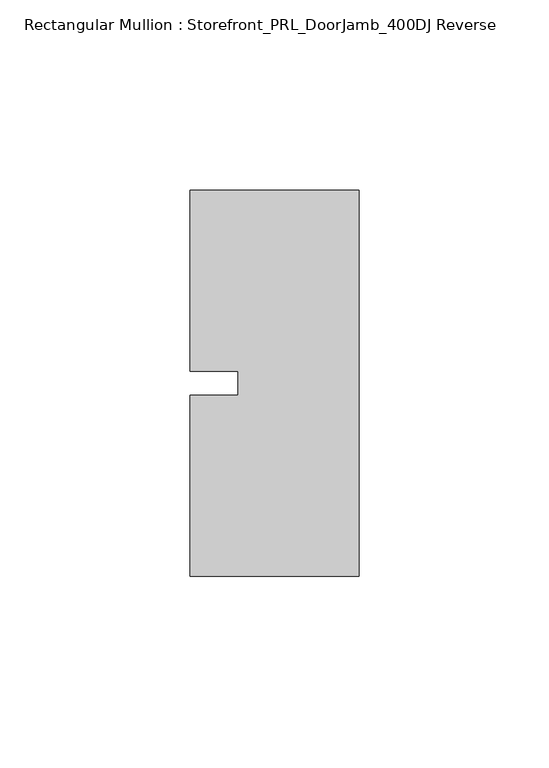
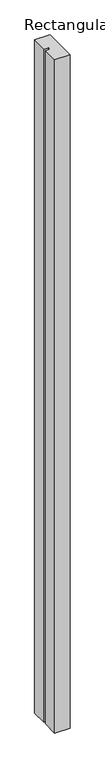
"""IFC4 building model written with IfcOpenShell, lengths in millimetres: member geometry, Rectangular Mullion : Storefront_PRL_DoorJamb_400DJ Reverse."""

from ifc_helpers import new_model, si_unit, frame, origin, place, context, project, spatial, polyline, outline, extrude, source, transform, mapped, element, save


def rectangular_mullion_storefront_prl_doorjamb_400dj_reverse_01433fa3(model_context):
    return source(origin(), model_context, "Body", "SweptSolid", [
        extrude(outline(polyline([(-9.525, -3.175), (-9.525, 3.175), (-22.225, 3.175), (-22.225, 50.8), (22.225, 50.8), (22.225, -50.8), (-22.225, -50.8), (-22.225, -3.175), (-9.525, -3.175)])), frame((0.0, 0.0, -2078.83125), z_axis=(0.0, 0.0, 1.0), x_axis=(1.0, 0.0, 0.0)), (0.0, 0.0, 1.0), 2078.83125),
    ])


if __name__ == "__main__":
    model = new_model("IFC4")
    model_context = context("Model", 3, world=origin())
    ifc_project = project(units=[si_unit("LENGTHUNIT", "METRE", prefix="MILLI")], contexts=[model_context])
    site = spatial("IfcSite", under=ifc_project)
    building = spatial("IfcBuilding", under=site)
    placement = place(None, origin())
    rectangular_mullion_storefront_prl_doorjamb_400dj_reverse_shape = rectangular_mullion_storefront_prl_doorjamb_400dj_reverse_01433fa3(model_context)
    element("IfcMember", 1, ObjectType="Rectangular Mullion : Storefront_PRL_DoorJamb_400DJ Reverse", at=placement, inside=building, context=model_context, shape_type="MappedRepresentation", body=[
        mapped(rectangular_mullion_storefront_prl_doorjamb_400dj_reverse_shape, transform((0.0, 0.0, 0.0), x_axis=(1.0, 0.0, 0.0), y_axis=(0.0, 1.0, 0.0), z_axis=(0.0, 0.0, 1.0))),
    ])
    save(model, "model.ifc")
